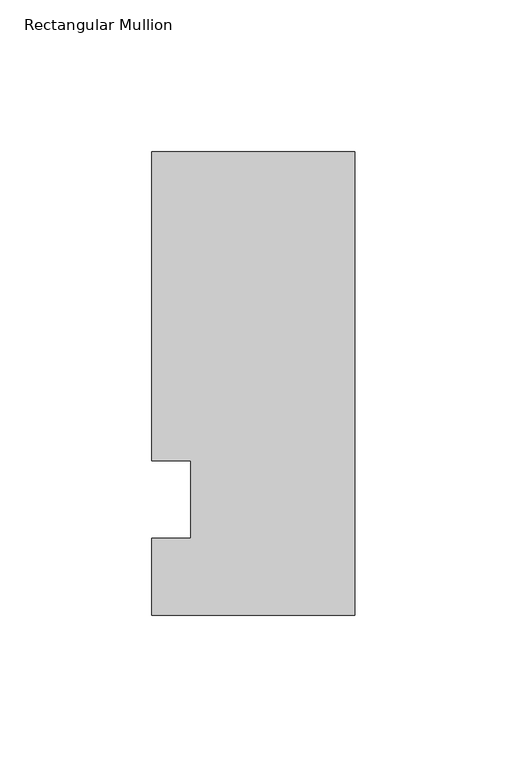
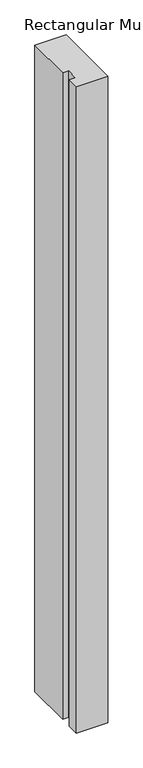
"""IFC4 building model written with IfcOpenShell, lengths in millimetres: member geometry, Rectangular Mullion."""

from ifc_helpers import new_model, si_unit, frame, origin, place, context, project, spatial, polyline, outline, extrude, source, transform, mapped, element, save


def rectangular_mullion_59c42a43(model_context):
    return source(origin(), model_context, "Body", "SweptSolid", [
        extrude(outline(polyline([(-66.675, 114.3), (0.0, 114.3), (0.0, -38.1), (-66.675, -38.1), (-66.675, -12.7), (-53.9732296, -12.7), (-53.9732296, 12.7), (-66.675, 12.7), (-66.675, 114.3)])), frame((0.0, 0.0, -1449.9166667), z_axis=(0.0, 0.0, 1.0), x_axis=(1.0, 0.0, 0.0)), (0.0, 0.0, 1.0), 1449.9166667),
    ])


if __name__ == "__main__":
    model = new_model("IFC4")
    model_context = context("Model", 3, world=origin())
    ifc_project = project(units=[si_unit("LENGTHUNIT", "METRE", prefix="MILLI")], contexts=[model_context])
    site = spatial("IfcSite", under=ifc_project)
    building = spatial("IfcBuilding", under=site)
    placement = place(None, origin())
    rectangular_mullion_shape = rectangular_mullion_59c42a43(model_context)
    element("IfcMember", 1, ObjectType="Rectangular Mullion", at=placement, inside=building, context=model_context, shape_type="MappedRepresentation", body=[
        mapped(rectangular_mullion_shape, transform((0.0, 0.0, 0.0), x_axis=(1.0, 0.0, 0.0), y_axis=(0.0, 1.0, 0.0), z_axis=(0.0, 0.0, 1.0))),
    ])
    save(model, "model.ifc")
